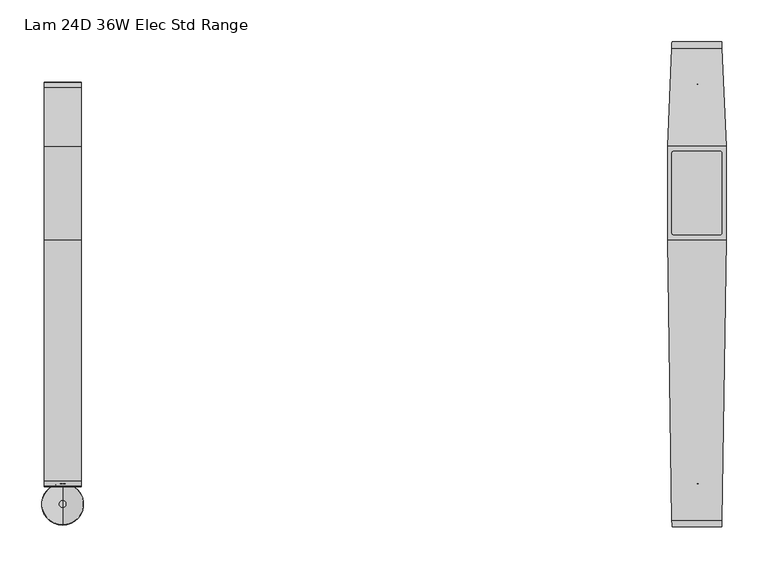
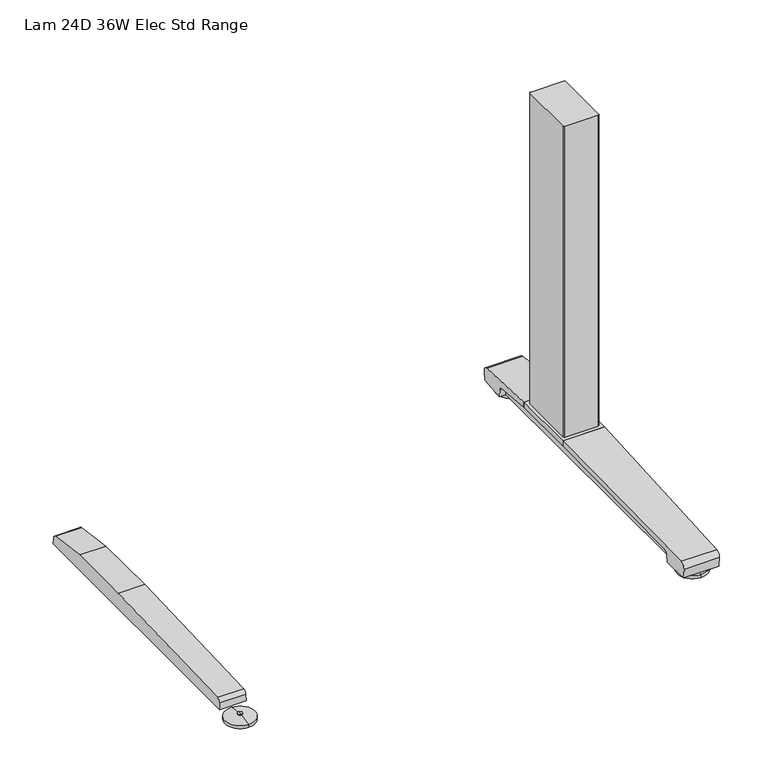
"""IFC4 building model written with IfcOpenShell, lengths in millimetres: furniture geometry, Lam 24D 36W Elec Std Range."""

from ifc_helpers import new_model, si_unit, point, frame, frame_2d, origin, place, context, project, spatial, polyline, circle_curve, ellipse_curve, trimmed, segment, composite_curve, outline, extrude, source, transform, mapped, element, save
from ifc_brep_helpers import plane_surface, cylinder_surface, revolved_surface, advanced_brep


def lam_24d_36w_elec_std_range_e942d178(model_context):
    return source(origin(), model_context, "Body", "SolidModel", [
        advanced_brep(
        [(-379.476, -287.9643617, 0.0), (-379.476, -237.7743384, 0.0), (-379.476, -262.86935, 0.0), (-379.476, -287.8796512, 5.0038001), (-379.476, -237.8590489, 5.0038001), (-379.476, -266.8698499, 8.4327997), (-379.476, -258.8688501, 8.4327997), (-379.476, -266.8698499, 10.0423733), (-379.476, -258.8688501, 10.0423733), (-379.476, -262.86935, 10.0423733)],
        [
            (0, 1, circle_curve(frame((-379.476, -262.86935, 0.0), z_axis=(0.0, 0.0, -1.0), x_axis=(0.0, 1.0, 0.0)), 25.0950117)),
            (1, 2),
            (2, 0),
            (1, 0, circle_curve(frame((-379.476, -262.86935, 0.0), z_axis=(0.0, 0.0, -1.0), x_axis=(0.0, 1.0, 0.0)), 25.0950117)),
            (3, 4, circle_curve(frame((-379.476, -262.86935, 5.0038001), z_axis=(0.0, 0.0, -1.0), x_axis=(0.0, 1.0, 0.0)), 25.0103012)),
            (4, 1),
            (0, 3),
            (4, 3, circle_curve(frame((-379.476, -262.86935, 5.0038001), z_axis=(0.0, 0.0, -1.0), x_axis=(0.0, 1.0, 0.0)), 25.0103012)),
            (5, 6, circle_curve(frame((-379.476, -262.86935, 8.4327997), z_axis=(0.0, 0.0, -1.0), x_axis=(0.0, 1.0, 0.0)), 4.0004999)),
            (6, 4, circle_curve(frame((-379.476, -258.8368668, -57.4502444), z_axis=(-1.0, 0.0, 0.0), x_axis=(0.0, 1.0, 0.0)), 65.8830518)),
            (3, 5, circle_curve(frame((-379.476, -266.9018333, -57.4502444), z_axis=(-1.0, 0.0, 0.0), x_axis=(0.0, -1.0, 0.0)), 65.8830518)),
            (6, 5, circle_curve(frame((-379.476, -262.86935, 8.4327997), z_axis=(0.0, 0.0, -1.0), x_axis=(0.0, 1.0, 0.0)), 4.0004999)),
            (7, 8, circle_curve(frame((-379.476, -262.86935, 10.0423733), z_axis=(0.0, 0.0, -1.0), x_axis=(0.0, 1.0, 0.0)), 4.0004999)),
            (8, 6),
            (5, 7),
            (8, 7, circle_curve(frame((-379.476, -262.86935, 10.0423733), z_axis=(0.0, 0.0, -1.0), x_axis=(0.0, 1.0, 0.0)), 4.0004999)),
            (9, 8),
            (7, 9),
        ],
        [
            plane_surface(frame((-379.476, -262.86935, 0.0), z_axis=(0.0, 0.0, -1.0), x_axis=(0.0, 1.0, 0.0))),
            revolved_surface(polyline([(-379.476, -237.7743384, 0.0), (-379.476, -237.8590489, 5.0038001)]), (-379.476, -262.86935, 0.0), (0.0, 0.0, 1.0)),
            revolved_surface(trimmed(ellipse_curve(frame((-379.476, -258.8368668, -57.4502444), z_axis=(1.0, 0.0, 0.0), x_axis=(0.0, 1.0, 0.0)), 65.8830518, 65.8830518), [point((-379.476, -237.8590489, 5.0038001))], [point((-379.476, -258.8688501, 8.4327997))], True, "CARTESIAN"), (-379.476, -262.86935, 0.0), (0.0, 0.0, 1.0)),
            cylinder_surface(frame((-379.476, -262.86935, 0.0), z_axis=(0.0, 0.0, 1.0), x_axis=(0.0, 1.0, 0.0)), 4.0004999),
            plane_surface(frame((-379.476, -262.86935, 10.0423733), z_axis=(0.0, 0.0, 1.0), x_axis=(0.0, 1.0, 0.0))),
        ],
        [
            (0, [[1, 2, 3]]),
            (0, [[4, -3, -2]]),
            (1, [[5, 6, -1, 7]]),
            (1, [[8, -7, -4, -6]]),
            (2, [[9, 10, -5, 11]]),
            (2, [[12, -11, -8, -10]]),
            (3, [[13, 14, -9, 15]]),
            (3, [[16, -15, -12, -14]]),
            (4, [[17, -13, 18]]),
            (4, [[-18, -16, -17]]),
        ],
    ),
        extrude(outline(composite_curve([segment(polyline([(241.1152602, 22.833301), (242.1038309, 11.5339019), (-242.1038309, 11.5339019), (-241.1152602, 22.833301)]), True, "CONTINUOUS"), segment(trimmed(circle_curve(frame_2d((-234.2929906, 22.2364289)), 6.8483297), [point((-241.1152602, 22.833301))], [point((-235.1603185, 29.0296138))], False, "CARTESIAN"), True, "CONTINUOUS"), segment(polyline([(-235.1603185, 29.0296138), (53.1017873, 38.9541198), (165.3382127, 38.9541198), (235.1603185, 29.0296138)]), True, "CONTINUOUS"), segment(trimmed(circle_curve(frame_2d((234.2929906, 22.2364289)), 6.8483297), [point((235.1603185, 29.0296138))], [point((241.1152602, 22.833301))], False, "CARTESIAN"), True, "CONTINUOUS")], self_intersect=False)), frame((-401.4724, 0.0, 0.0), z_axis=(1.0, 0.0, 0.0), x_axis=(0.0, 1.0, 0.0)), (0.0, 0.0, 1.0), 43.9928),
        extrude(outline(composite_curve([segment(trimmed(circle_curve(frame_2d((407.0521079, 156.8621079)), 2.3323921), [point((407.0521079, 159.1945))], [point((409.3845, 156.8621079))], False, "CARTESIAN"), True, "CONTINUOUS"), segment(polyline([(409.3845, 156.8621079), (409.3845, 61.5778921)]), True, "CONTINUOUS"), segment(trimmed(circle_curve(frame_2d((407.0521079, 61.5778921)), 2.3323921), [point((409.3845, 61.5778921))], [point((407.0521079, 59.2455))], False, "CARTESIAN"), True, "CONTINUOUS"), segment(polyline([(407.0521079, 59.2455), (351.8998921, 59.2455)]), True, "CONTINUOUS"), segment(trimmed(circle_curve(frame_2d((351.8998921, 61.5778921)), 2.3323921), [point((351.8998921, 59.2455))], [point((349.5675, 61.5778921))], False, "CARTESIAN"), True, "CONTINUOUS"), segment(polyline([(349.5675, 61.5778921), (349.5675, 156.8621079)]), True, "CONTINUOUS"), segment(trimmed(circle_curve(frame_2d((351.8998921, 156.8621079)), 2.3323921), [point((349.5675, 156.8621079))], [point((351.8998921, 159.1945))], False, "CARTESIAN"), True, "CONTINUOUS"), segment(polyline([(351.8998921, 159.1945), (407.0521079, 159.1945)]), True, "CONTINUOUS")], self_intersect=False)), frame((0.0, 0.0, 48.10013), z_axis=(0.0, 0.0, 1.0), x_axis=(1.0, 0.0, 0.0)), (0.0, 0.0, 1.0), 550.9989485),
        advanced_brep(
        [(379.476, 238.6489737, 0.0), (379.476, 288.838997, 0.0), (379.476, 263.7439854, 0.0), (379.476, 238.7336842, 5.0038001), (379.476, 288.7542866, 5.0038001), (379.476, 259.7434855, 8.4327997), (379.476, 267.7444853, 8.4327997), (379.476, 259.7434855, 10.0423733), (379.476, 267.7444853, 10.0423733), (379.476, 263.7439854, 10.0423733)],
        [
            (0, 1, circle_curve(frame((379.476, 263.7439854, 0.0), z_axis=(0.0, 0.0, -1.0), x_axis=(0.0, 1.0, 0.0)), 25.0950117)),
            (1, 2),
            (2, 0),
            (1, 0, circle_curve(frame((379.476, 263.7439854, 0.0), z_axis=(0.0, 0.0, -1.0), x_axis=(0.0, 1.0, 0.0)), 25.0950117)),
            (3, 4, circle_curve(frame((379.476, 263.7439854, 5.0038001), z_axis=(0.0, 0.0, -1.0), x_axis=(0.0, 1.0, 0.0)), 25.0103012)),
            (4, 1),
            (0, 3),
            (4, 3, circle_curve(frame((379.476, 263.7439854, 5.0038001), z_axis=(0.0, 0.0, -1.0), x_axis=(0.0, 1.0, 0.0)), 25.0103012)),
            (5, 6, circle_curve(frame((379.476, 263.7439854, 8.4327997), z_axis=(0.0, 0.0, -1.0), x_axis=(0.0, 1.0, 0.0)), 4.0004999)),
            (6, 4, circle_curve(frame((379.476, 267.7764687, -57.4502444), z_axis=(-1.0, 0.0, 0.0), x_axis=(0.0, 1.0, 0.0)), 65.8830518)),
            (3, 5, circle_curve(frame((379.476, 259.7115021, -57.4502444), z_axis=(-1.0, 0.0, 0.0), x_axis=(0.0, -1.0, 0.0)), 65.8830518)),
            (6, 5, circle_curve(frame((379.476, 263.7439854, 8.4327997), z_axis=(0.0, 0.0, -1.0), x_axis=(0.0, 1.0, 0.0)), 4.0004999)),
            (7, 8, circle_curve(frame((379.476, 263.7439854, 10.0423733), z_axis=(0.0, 0.0, -1.0), x_axis=(0.0, 1.0, 0.0)), 4.0004999)),
            (8, 6),
            (5, 7),
            (8, 7, circle_curve(frame((379.476, 263.7439854, 10.0423733), z_axis=(0.0, 0.0, -1.0), x_axis=(0.0, 1.0, 0.0)), 4.0004999)),
            (9, 8),
            (7, 9),
        ],
        [
            plane_surface(frame((379.476, 263.7439854, 0.0), z_axis=(0.0, 0.0, -1.0), x_axis=(0.0, 1.0, 0.0))),
            revolved_surface(polyline([(379.476, 288.838997, 0.0), (379.476, 288.7542866, 5.0038001)]), (379.476, 263.7439854, 0.0), (0.0, 0.0, 1.0)),
            revolved_surface(trimmed(ellipse_curve(frame((379.476, 267.7764687, -57.4502444), z_axis=(1.0, 0.0, 0.0), x_axis=(0.0, 1.0, 0.0)), 65.8830518, 65.8830518), [point((379.476, 288.7542866, 5.0038001))], [point((379.476, 267.7444853, 8.4327997))], True, "CARTESIAN"), (379.476, 263.7439854, 0.0), (0.0, 0.0, 1.0)),
            cylinder_surface(frame((379.476, 263.7439854, 0.0), z_axis=(0.0, 0.0, 1.0), x_axis=(0.0, 1.0, 0.0)), 4.0004999),
            plane_surface(frame((379.476, 263.7439854, 10.0423733), z_axis=(0.0, 0.0, 1.0), x_axis=(0.0, 1.0, 0.0))),
        ],
        [
            (0, [[1, 2, 3]]),
            (0, [[4, -3, -2]]),
            (1, [[5, 6, -1, 7]]),
            (1, [[8, -7, -4, -6]]),
            (2, [[9, 10, -5, 11]]),
            (2, [[12, -11, -8, -10]]),
            (3, [[13, 14, -9, 15]]),
            (3, [[16, -15, -12, -14]]),
            (4, [[17, -13, 18]]),
            (4, [[-18, -16, -17]]),
        ],
    ),
        advanced_brep(
        [(379.476, -287.9643617, 0.0), (379.476, -237.7743384, 0.0), (379.476, -262.86935, 0.0), (379.476, -287.8796512, 5.0038001), (379.476, -237.8590489, 5.0038001), (379.476, -266.8698499, 8.4327997), (379.476, -258.8688501, 8.4327997), (379.476, -266.8698499, 10.0423733), (379.476, -258.8688501, 10.0423733), (379.476, -262.86935, 10.0423733)],
        [
            (0, 1, circle_curve(frame((379.476, -262.86935, 0.0), z_axis=(0.0, 0.0, -1.0), x_axis=(0.0, 1.0, 0.0)), 25.0950117)),
            (1, 2),
            (2, 0),
            (1, 0, circle_curve(frame((379.476, -262.86935, 0.0), z_axis=(0.0, 0.0, -1.0), x_axis=(0.0, 1.0, 0.0)), 25.0950117)),
            (3, 4, circle_curve(frame((379.476, -262.86935, 5.0038001), z_axis=(0.0, 0.0, -1.0), x_axis=(0.0, 1.0, 0.0)), 25.0103012)),
            (4, 1),
            (0, 3),
            (4, 3, circle_curve(frame((379.476, -262.86935, 5.0038001), z_axis=(0.0, 0.0, -1.0), x_axis=(0.0, 1.0, 0.0)), 25.0103012)),
            (5, 6, circle_curve(frame((379.476, -262.86935, 8.4327997), z_axis=(0.0, 0.0, -1.0), x_axis=(0.0, 1.0, 0.0)), 4.0004999)),
            (6, 4, circle_curve(frame((379.476, -258.8368668, -57.4502444), z_axis=(-1.0, 0.0, 0.0), x_axis=(0.0, 1.0, 0.0)), 65.8830518)),
            (3, 5, circle_curve(frame((379.476, -266.9018333, -57.4502444), z_axis=(-1.0, 0.0, 0.0), x_axis=(0.0, -1.0, 0.0)), 65.8830518)),
            (6, 5, circle_curve(frame((379.476, -262.86935, 8.4327997), z_axis=(0.0, 0.0, -1.0), x_axis=(0.0, 1.0, 0.0)), 4.0004999)),
            (7, 8, circle_curve(frame((379.476, -262.86935, 10.0423733), z_axis=(0.0, 0.0, -1.0), x_axis=(0.0, 1.0, 0.0)), 4.0004999)),
            (8, 6),
            (5, 7),
            (8, 7, circle_curve(frame((379.476, -262.86935, 10.0423733), z_axis=(0.0, 0.0, -1.0), x_axis=(0.0, 1.0, 0.0)), 4.0004999)),
            (9, 8),
            (7, 9),
        ],
        [
            plane_surface(frame((379.476, -262.86935, 0.0), z_axis=(0.0, 0.0, -1.0), x_axis=(0.0, 1.0, 0.0))),
            revolved_surface(polyline([(379.476, -237.7743384, 0.0), (379.476, -237.8590489, 5.0038001)]), (379.476, -262.86935, 0.0), (0.0, 0.0, 1.0)),
            revolved_surface(trimmed(ellipse_curve(frame((379.476, -258.8368668, -57.4502444), z_axis=(1.0, 0.0, 0.0), x_axis=(0.0, 1.0, 0.0)), 65.8830518, 65.8830518), [point((379.476, -237.8590489, 5.0038001))], [point((379.476, -258.8688501, 8.4327997))], True, "CARTESIAN"), (379.476, -262.86935, 0.0), (0.0, 0.0, 1.0)),
            cylinder_surface(frame((379.476, -262.86935, 0.0), z_axis=(0.0, 0.0, 1.0), x_axis=(0.0, 1.0, 0.0)), 4.0004999),
            plane_surface(frame((379.476, -262.86935, 10.0423733), z_axis=(0.0, 0.0, 1.0), x_axis=(0.0, 1.0, 0.0))),
        ],
        [
            (0, [[1, 2, 3]]),
            (0, [[4, -3, -2]]),
            (1, [[5, 6, -1, 7]]),
            (1, [[8, -7, -4, -6]]),
            (2, [[9, 10, -5, 11]]),
            (2, [[12, -11, -8, -10]]),
            (3, [[13, 14, -9, 15]]),
            (3, [[16, -15, -12, -14]]),
            (4, [[17, -13, 18]]),
            (4, [[-18, -16, -17]]),
        ],
    ),
        extrude(outline(polyline([(414.6068382, 165.3382127), (414.6068382, 53.1017873), (344.3451618, 53.1017873), (344.3451618, 165.3382127), (414.6068382, 165.3382127)])), frame((0.0, 0.0, 38.9541198), z_axis=(0.0, 0.0, 1.0), x_axis=(1.0, 0.0, 0.0)), (0.0, 0.0, 1.0), 9.1460102),
        advanced_brep(
        [(409.1915266, 290.195, 26.8186), (409.5162746, 282.707527, 35.7787117), (414.6068382, 165.3382127, 48.10013), (414.6068382, 165.3382127, 38.9541198), (411.5785009, 235.1603185, 29.0296138), (411.3202221, 241.1152602, 22.833301), (411.2716899, 242.2342309, 10.0434261), (409.2542108, 288.7497362, 10.041053), (349.4360833, 282.707527, 35.7787117), (349.7608313, 290.195, 26.8186), (349.6981471, 288.7497362, 10.041053), (347.680668, 242.2342309, 10.0434261), (347.6321358, 241.1152602, 22.833301), (347.373857, 235.1603185, 29.0296138), (344.345519, 165.3381975, 38.954122), (344.3455197, 165.3382127, 48.10013)],
        [
            (0, 1, ellipse_curve(frame((409.5495231, 281.9409412, 27.5296273), z_axis=(0.9990607517352401, 0.04333144749736555, 0.0), x_axis=(0.04333144749736528, -0.9990607517352401, 0.0)), 8.2924158, 8.2846272)),
            (1, 2, ellipse_curve(frame((477.5069455, -1284.9024809, -14331.5303141), z_axis=(0.9990607517352401, 0.04333144749736555, 0.0), x_axis=(0.04333144749736528, -0.9990607517352401, 0.0)), 14466.1638985, 14452.5765792)),
            (2, 3),
            (3, 4),
            (4, 5, ellipse_curve(frame((411.6161189, 234.2929906, 22.2364289), z_axis=(-0.9990607517352401, -0.04333144749736555, 0.0), x_axis=(-0.04333144749736528, 0.9990607517352401, 0.0)), 6.854768, 6.8483297)),
            (5, 6),
            (6, 7),
            (7, 0),
            (8, 9, ellipse_curve(frame((349.4028348, 281.9409412, 27.5296273), z_axis=(-0.9990607517352479, 0.04333144749718559, 0.0), x_axis=(0.043331447497184594, 0.999060751735248, 0.0)), 8.2924158, 8.2846272)),
            (9, 10),
            (10, 11),
            (11, 12),
            (12, 13, ellipse_curve(frame((347.3362391, 234.2929906, 22.2364289), z_axis=(0.9990607517352479, -0.04333144749718559, 0.0), x_axis=(-0.043331447497184594, -0.999060751735248, 0.0)), 6.854768, 6.8483297)),
            (13, 14),
            (14, 15),
            (15, 8, ellipse_curve(frame((281.4454124, -1284.9024809, -14331.5303141), z_axis=(-0.9990607517352479, 0.04333144749718559, 0.0), x_axis=(0.043331447497184594, 0.999060751735248, 0.0)), 14466.1638985, 14452.5765792)),
            (0, 9),
            (8, 1),
            (7, 10),
            (6, 11),
            (5, 12),
            (4, 13),
            (3, 14),
            (2, 15),
        ],
        [
            plane_surface(frame((409.1226732, 291.7825, 48.10013), z_axis=(0.9990607517352401, 0.04333144749736555, 0.0), x_axis=(0.0, 0.0, -1.0))),
            plane_surface(frame((344.3455197, 165.3382127, 48.10013), z_axis=(-0.9990607517352479, 0.04333144749718559, 0.0), x_axis=(0.0, 0.0, -1.0))),
            cylinder_surface(frame((344.3451618, 281.9409412, 27.5296273), z_axis=(1.0, 0.0, 0.0), x_axis=(0.0, 1.0, 0.0)), 8.2846272),
            plane_surface(frame((414.6068382, 288.7497362, 10.041053), z_axis=(0.0, 0.996310236870315, -0.08582489095488062), x_axis=(-1.0, 0.0, 0.0))),
            plane_surface(frame((414.6068382, 242.2342309, 10.0434261), z_axis=(0.0, -5.1017984192710365e-05, -0.9999999986985827), x_axis=(-1.0, 0.0, 0.0))),
            plane_surface(frame((414.6068382, 241.1152602, 22.833301), z_axis=(0.0, -0.9961946873837872, -0.087155865140095), x_axis=(-1.0, 0.0, 0.0))),
            revolved_surface(polyline([(347.0392120803026, 241.1413203, 22.2364289), (411.91314591969865, 241.1413203, 22.2364289)]), (344.3451618, 234.2929906, 22.2364289), (-1.0, 0.0, 0.0)),
            plane_surface(frame((414.6068382, 165.3382127, 38.9541198), z_axis=(0.0, -0.14072540258507588, -0.9900486660095393), x_axis=(-1.0, 0.0, 0.0))),
            plane_surface(frame((414.6068382, 165.3382127, 48.10013), z_axis=(0.0, -1.0, 0.0), x_axis=(-1.0, 0.0, 0.0))),
            cylinder_surface(frame((344.3451618, -1284.9024809, -14331.5303141), z_axis=(1.0, 0.0, 0.0), x_axis=(0.0, 1.0, 0.0)), 14452.5765792),
        ],
        [
            (0, [[1, 2, 3, 4, 5, 6, 7, 8]]),
            (1, [[9, 10, 11, 12, 13, 14, 15, 16]]),
            (2, [[17, -9, 18, -1]]),
            (3, [[-17, -8, 19, -10]]),
            (4, [[-19, -7, 20, -11]]),
            (5, [[-20, -6, 21, -12]]),
            (6, [[-21, -5, 22, -13]]),
            (7, [[23, -14, -22, -4]]),
            (8, [[-23, -3, 24, -15]]),
            (9, [[-24, -2, -18, -16]]),
        ],
    ),
        extrude(outline(composite_curve([segment(polyline([(241.1152602, 22.833301), (242.1038309, 11.5339019), (-242.1038309, 11.5339019), (-241.1152602, 22.833301)]), True, "CONTINUOUS"), segment(trimmed(circle_curve(frame_2d((-234.2929906, 22.2364289)), 6.8483297), [point((-241.1152602, 22.833301))], [point((-235.1603185, 29.0296138))], False, "CARTESIAN"), True, "CONTINUOUS"), segment(polyline([(-235.1603185, 29.0296138), (53.1017873, 38.9541198), (165.3382127, 38.9541198), (235.1603185, 29.0296138)]), True, "CONTINUOUS"), segment(trimmed(circle_curve(frame_2d((234.2929906, 22.2364289)), 6.8483297), [point((235.1603185, 29.0296138))], [point((241.1152602, 22.833301))], False, "CARTESIAN"), True, "CONTINUOUS")], self_intersect=False)), frame((357.4796, 0.0, 0.0), z_axis=(1.0, 0.0, 0.0), x_axis=(0.0, 1.0, 0.0)), (0.0, 0.0, 1.0), 43.9928),
        advanced_brep(
        [(409.2669786, -282.707527, 35.7787117), (349.6853793, -282.707527, 35.7787117), (349.8044411, -290.195, 26.8186), (409.1479168, -290.195, 26.8186), (349.7814593, -288.7497362, 10.041053), (409.1708986, -288.7497362, 10.041053), (349.0417947, -242.2342309, 10.0434261), (409.9105632, -242.2342309, 10.0434261), (349.0240014, -241.1152602, 22.833301), (409.9283565, -241.1152602, 22.833301), (348.9293091, -235.1603185, 29.0296138), (410.0230488, -235.1603185, 29.0296138), (344.3451618, 53.1017873, 38.9541198), (414.6068382, 53.1017873, 38.9541198), (344.3455197, 53.1017873, 48.10013), (414.6068382, 53.1017873, 48.10013)],
        [
            (0, 1),
            (1, 2, ellipse_curve(frame((349.6731895, -281.9409412, 27.5296273), z_axis=(0.9998735956965352, 0.01589945372903232, 0.0), x_axis=(0.01589945372903266, -0.9998735956965353, 0.0)), 8.2856745, 8.2846272)),
            (2, 3),
            (3, 0, ellipse_curve(frame((409.2791684, -281.9409412, 27.5296273), z_axis=(-0.9998735956965356, 0.01589945372901513, 0.0), x_axis=(0.015899453729011154, 0.9998735956965354, 0.0)), 8.2856745, 8.2846272)),
            (2, 4),
            (4, 5),
            (5, 3),
            (4, 6),
            (6, 7),
            (7, 5),
            (6, 8),
            (8, 9),
            (9, 7),
            (8, 10, ellipse_curve(frame((348.9155173, -234.2929906, 22.2364289), z_axis=(-0.9998735956965352, -0.01589945372903232, 0.0), x_axis=(-0.01589945372903266, 0.9998735956965353, 0.0)), 6.8491954, 6.8483297)),
            (10, 11),
            (11, 9, ellipse_curve(frame((410.0368406, -234.2929906, 22.2364289), z_axis=(0.9998735956965356, -0.01589945372901513, 0.0), x_axis=(-0.015899453729011154, -0.9998735956965354, 0.0)), 6.8491954, 6.8483297)),
            (12, 13),
            (13, 11),
            (10, 12),
            (12, 14),
            (14, 15),
            (15, 13),
            (15, 0, ellipse_curve(frame((434.1942723, 1284.9024809, -38105.7868014), z_axis=(0.9998735956965356, -0.01589945372901513, 0.0), x_axis=(0.015899453729011154, 0.9998735956965354, 0.0)), 38178.5920733, 38173.766135)),
            (1, 14, ellipse_curve(frame((324.7580856, 1284.9024809, -38105.7868014), z_axis=(-0.9998735956965352, -0.01589945372903232, 0.0), x_axis=(0.01589945372903266, -0.9998735956965353, 0.0)), 38178.5920733, 38173.766135)),
        ],
        [
            cylinder_surface(frame((344.3451618, -281.9409412, 27.5296273), z_axis=(1.0, 0.0, 0.0), x_axis=(0.0, 1.0, 0.0)), 8.2846272),
            plane_surface(frame((414.6068382, -290.195, 26.8186), z_axis=(0.0, -0.9963102368705538, -0.08582489095210658), x_axis=(-1.0, 0.0, 0.0))),
            plane_surface(frame((414.6068382, -288.7497362, 10.041053), z_axis=(0.0, 5.1017983912826894e-05, -0.9999999986985827), x_axis=(-1.0, 0.0, 0.0))),
            plane_surface(frame((414.6068382, -242.2342309, 10.0434261), z_axis=(0.0, 0.9961946873837977, -0.08715586513997577), x_axis=(-1.0, 0.0, 0.0))),
            revolved_surface(polyline([(348.80661883465655, -227.4446609, 22.2364289), (410.14573906534326, -227.4446609, 22.2364289)]), (344.3451618, -234.2929906, 22.2364289), (-1.0, 0.0, 0.0)),
            plane_surface(frame((414.6068382, -235.1603185, 29.0296138), z_axis=(0.0, 0.034408370344668364, -0.9994078567082731), x_axis=(-1.0, 0.0, 0.0))),
            plane_surface(frame((414.6068382, 53.1017873, 38.9541198), z_axis=(0.0, 1.0, 0.0), x_axis=(-1.0, 0.0, 0.0))),
            plane_surface(frame((414.6068382, 53.1017873, 48.10013), z_axis=(0.9998735956965356, -0.01589945372901513, 0.0), x_axis=(0.0, 0.0, -1.0))),
            plane_surface(frame((349.8296847, -291.7825, 48.10013), z_axis=(-0.9998735956965352, -0.01589945372903232, 0.0), x_axis=(0.0, 0.0, -1.0))),
            cylinder_surface(frame((344.3451618, 1284.9024809, -38105.7868014), z_axis=(1.0, 0.0, 0.0), x_axis=(0.0, 1.0, 0.0)), 38173.766135),
        ],
        [
            (0, [[1, 2, 3, 4]]),
            (1, [[-3, 5, 6, 7]]),
            (2, [[-6, 8, 9, 10]]),
            (3, [[-9, 11, 12, 13]]),
            (4, [[-12, 14, 15, 16]]),
            (5, [[17, 18, -15, 19]]),
            (6, [[-17, 20, 21, 22]]),
            (7, [[-4, -7, -10, -13, -16, -18, -22, 23]]),
            (8, [[-2, 24, -20, -19, -14, -11, -8, -5]]),
            (9, [[-21, -24, -1, -23]]),
        ],
    ),
    ])


if __name__ == "__main__":
    model = new_model("IFC4")
    model_context = context("Model", 3, world=origin())
    ifc_project = project(units=[si_unit("LENGTHUNIT", "METRE", prefix="MILLI")], contexts=[model_context])
    site = spatial("IfcSite", under=ifc_project)
    building = spatial("IfcBuilding", under=site)
    placement = place(None, origin())
    lam_24d_36w_elec_std_range_shape = lam_24d_36w_elec_std_range_e942d178(model_context)
    element("IfcFurniture", 1, ObjectType="Lam 24D 36W Elec Std Range", at=placement, inside=building, context=model_context, shape_type="MappedRepresentation", body=[
        mapped(lam_24d_36w_elec_std_range_shape, transform((0.0, 0.0, 0.0), x_axis=(1.0, 0.0, 0.0), y_axis=(0.0, 1.0, 0.0), z_axis=(0.0, 0.0, 1.0))),
    ])
    save(model, "model.ifc")
